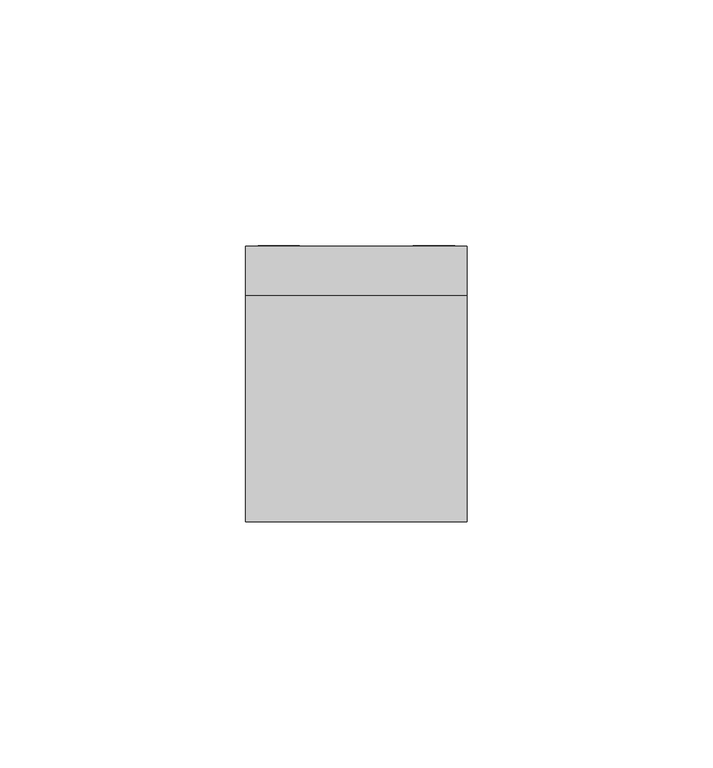
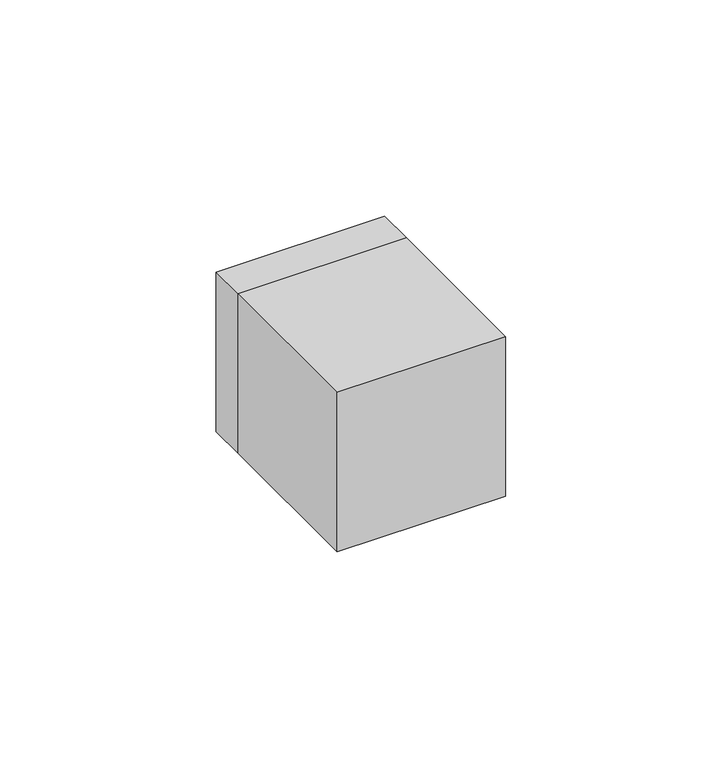
"""IFC4 building model written with IfcOpenShell, lengths in millimetres: proxy geometry."""

from ifc_helpers import new_model, si_unit, point, frame, origin, origin_2d, place, context, project, spatial, polyline, circle_curve, trimmed, segment, composite_curve, outline, extrude, faceted_brep, source, transform, mapped, element, save
from ifc_brep_helpers import plane_surface, revolved_surface, advanced_brep


def electrical_fixtures_451fbc79(model_context):
    return source(origin(), model_context, "Body", "SolidModel", [
        extrude(outline(polyline([(22.5, -46.0), (-22.5, -46.0), (-22.5, 0.0), (22.5, 0.0), (22.5, -46.0)])), frame((0.0, 0.0, -22.5), z_axis=(0.0, 0.0, 1.0), x_axis=(1.0, 0.0, 0.0)), (0.0, 0.0, 1.0), 45.0),
        extrude(outline(polyline([(10.1, 0.0), (10.1, -1.5), (0.0, -1.5), (0.0, 0.0), (10.1, 0.0)])), frame((-20.018193, 0.0, 12.5935718), z_axis=(0.7071067811865476, 0.0, 0.7071067811865476), x_axis=(0.0, 1.0, 0.0)), (0.0, 0.0, 1.0), 10.5),
        extrude(outline(polyline([(10.1, 0.0), (10.1, -10.5), (0.0, -10.5), (0.0, 0.0), (10.1, 0.0)])), frame((11.5329116, 0.0, 18.9575328), z_axis=(0.7071067811865468, 0.0, 0.7071067811865482), x_axis=(0.0, 1.0, 0.0)), (0.0, 0.0, 1.0), 1.5),
        extrude(outline(composite_curve([segment(polyline([(-16.0, -1.5), (-17.9373911, -1.5)]), True, "CONTINUOUS"), segment(trimmed(circle_curve(origin_2d(), 18.0), [point((-17.9373911, -1.5))], [point((-17.9373911, 1.5))], False, "CARTESIAN"), True, "CONTINUOUS"), segment(polyline([(-17.9373911, 1.5), (-16.0, 1.5), (-16.0, -1.5)]), True, "CONTINUOUS")], self_intersect=False)), frame((0.0, 1.0, 0.0), z_axis=(0.0, 1.0, 0.0), x_axis=(0.0, 0.0, 1.0)), (0.0, 0.0, 1.0), 8.0),
        extrude(outline(composite_curve([segment(polyline([(16.0, -1.5), (16.0, 1.5), (17.9373911, 1.5)]), True, "CONTINUOUS"), segment(trimmed(circle_curve(origin_2d(), 18.0), [point((17.9373911, 1.5))], [point((17.9373911, -1.5))], False, "CARTESIAN"), True, "CONTINUOUS"), segment(polyline([(17.9373911, -1.5), (16.0, -1.5)]), True, "CONTINUOUS")], self_intersect=False)), frame((0.0, 1.0, 0.0), z_axis=(0.0, 1.0, 0.0), x_axis=(0.0, 0.0, 1.0)), (0.0, 0.0, 1.0), 8.0),
        extrude(outline(composite_curve([segment(polyline([(8.2462113, 16.0), (2.0, 16.0), (2.0, 17.8885438)]), True, "CONTINUOUS"), segment(trimmed(circle_curve(origin_2d(), 18.0), [point((2.0, 17.8885438))], [point((8.2462113, 16.0))], False, "CARTESIAN"), True, "CONTINUOUS")], self_intersect=False)), frame((0.0, 1.0, 0.0), z_axis=(0.0, 1.0, 0.0), x_axis=(0.0, 0.0, 1.0)), (0.0, 0.0, 1.0), 8.0),
        extrude(outline(composite_curve([segment(trimmed(circle_curve(origin_2d(), 18.0), [point((-8.2462113, 16.0))], [point((-2.0, 17.8885438))], False, "CARTESIAN"), True, "CONTINUOUS"), segment(polyline([(-2.0, 17.8885438), (-2.0, 16.0), (-8.2462113, 16.0)]), True, "CONTINUOUS")], self_intersect=False)), frame((0.0, 1.0, 0.0), z_axis=(0.0, 1.0, 0.0), x_axis=(0.0, 0.0, 1.0)), (0.0, 0.0, 1.0), 8.0),
        extrude(outline(composite_curve([segment(polyline([(-8.2462113, -16.0), (-2.0, -16.0), (-2.0, -17.8885438)]), True, "CONTINUOUS"), segment(trimmed(circle_curve(origin_2d(), 18.0), [point((-2.0, -17.8885438))], [point((-8.2462113, -16.0))], False, "CARTESIAN"), True, "CONTINUOUS")], self_intersect=False)), frame((0.0, 1.0, 0.0), z_axis=(0.0, 1.0, 0.0), x_axis=(0.0, 0.0, 1.0)), (0.0, 0.0, 1.0), 8.0),
        extrude(outline(composite_curve([segment(trimmed(circle_curve(origin_2d(), 18.0), [point((8.2462113, -16.0))], [point((2.0, -17.8885438))], False, "CARTESIAN"), True, "CONTINUOUS"), segment(polyline([(2.0, -17.8885438), (2.0, -16.0), (8.2462113, -16.0)]), True, "CONTINUOUS")], self_intersect=False)), frame((0.0, 1.0, 0.0), z_axis=(0.0, 1.0, 0.0), x_axis=(0.0, 0.0, 1.0)), (0.0, 0.0, 1.0), 8.0),
        advanced_brep(
        [(22.5, 10.0, 22.5), (22.5, 10.0, -22.5), (-22.5, 10.0, -22.5), (-22.5, 10.0, 22.5), (-18.0, 10.0, 0.0), (18.0, 10.0, 0.0), (12.5935718, 10.0, 21.4324065), (8.9731851, 10.0, 17.8120198), (17.8120198, 10.0, 8.9731851), (21.4324065, 10.0, 12.5935718), (-21.4324065, 10.0, 12.5935718), (-17.8120198, 10.0, 8.9731851), (-8.9731851, 10.0, 17.8120198), (-12.5935718, 10.0, 21.4324065), (22.5, 0.0, 22.5), (-22.5, 0.0, 22.5), (-22.5, 0.0, -22.5), (22.5, 0.0, -22.5), (-7.0, 0.0, 0.0), (-12.0, 0.0, 0.0), (12.0, 0.0, 0.0), (7.0, 0.0, 0.0), (8.9731851, 0.0, 17.8120198), (12.5935718, 0.0, 21.4324065), (21.4324065, 0.0, 12.5935718), (17.8120198, 0.0, 8.9731851), (-17.8120198, 0.0, 8.9731851), (-21.4324065, 0.0, 12.5935718), (-12.5935718, 0.0, 21.4324065), (-8.9731851, 0.0, 17.8120198), (-7.0, 1.0, 0.0), (-12.0, 1.0, 0.0), (12.0, 1.0, 0.0), (7.0, 1.0, 0.0), (-18.0, 1.0, 0.0), (18.0, 1.0, 0.0)],
        [
            (0, 1),
            (1, 2),
            (2, 3),
            (3, 0),
            (4, 5, circle_curve(frame((0.0, 10.0, 0.0), z_axis=(0.0, -1.0, 0.0), x_axis=(1.0, 0.0, 0.0)), 18.0)),
            (5, 4, circle_curve(frame((0.0, 10.0, 0.0), z_axis=(0.0, -1.0, 0.0), x_axis=(1.0, 0.0, 0.0)), 18.0)),
            (6, 7),
            (7, 8),
            (8, 9),
            (9, 6),
            (10, 11),
            (11, 12),
            (12, 13),
            (13, 10),
            (14, 15),
            (15, 16),
            (16, 17),
            (17, 14),
            (18, 19, circle_curve(frame((-9.5, 0.0, 0.0), z_axis=(0.0, 1.0, 0.0), x_axis=(1.0, 0.0, 0.0)), 2.5)),
            (19, 18, circle_curve(frame((-9.5, 0.0, 0.0), z_axis=(0.0, 1.0, 0.0), x_axis=(1.0, 0.0, 0.0)), 2.5)),
            (20, 21, circle_curve(frame((9.5, 0.0, 0.0), z_axis=(0.0, 1.0, 0.0), x_axis=(1.0, 0.0, 0.0)), 2.5)),
            (21, 20, circle_curve(frame((9.5, 0.0, 0.0), z_axis=(0.0, 1.0, 0.0), x_axis=(1.0, 0.0, 0.0)), 2.5)),
            (22, 23),
            (23, 24),
            (24, 25),
            (25, 22),
            (26, 27),
            (27, 28),
            (28, 29),
            (29, 26),
            (3, 15),
            (14, 0),
            (2, 16),
            (1, 17),
            (18, 30),
            (30, 31, circle_curve(frame((-9.5, 1.0, 0.0), z_axis=(0.0, 1.0, 0.0), x_axis=(1.0, 0.0, 0.0)), 2.5)),
            (31, 19),
            (31, 30, circle_curve(frame((-9.5, 1.0, 0.0), z_axis=(0.0, 1.0, 0.0), x_axis=(1.0, 0.0, 0.0)), 2.5)),
            (20, 32),
            (32, 33, circle_curve(frame((9.5, 1.0, 0.0), z_axis=(0.0, 1.0, 0.0), x_axis=(1.0, 0.0, 0.0)), 2.5)),
            (33, 21),
            (33, 32, circle_curve(frame((9.5, 1.0, 0.0), z_axis=(0.0, 1.0, 0.0), x_axis=(1.0, 0.0, 0.0)), 2.5)),
            (34, 35, circle_curve(frame((0.0, 1.0, 0.0), z_axis=(0.0, 1.0, 0.0), x_axis=(1.0, 0.0, 0.0)), 18.0)),
            (35, 34, circle_curve(frame((0.0, 1.0, 0.0), z_axis=(0.0, 1.0, 0.0), x_axis=(1.0, 0.0, 0.0)), 18.0)),
            (35, 5),
            (4, 34),
            (22, 7),
            (6, 23),
            (25, 8),
            (24, 9),
            (26, 11),
            (10, 27),
            (29, 12),
            (28, 13),
        ],
        [
            plane_surface(frame((-39.0, 10.0, 22.5), z_axis=(0.0, 1.0, 0.0), x_axis=(1.0, 0.0, 0.0))),
            plane_surface(frame((-39.0, 0.0, 22.5), z_axis=(0.0, -1.0, 0.0), x_axis=(-1.0, 0.0, 0.0))),
            plane_surface(frame((22.5, 0.0, 22.5), z_axis=(0.0, 0.0, 1.0), x_axis=(0.0, 1.0, 0.0))),
            plane_surface(frame((-22.5, 0.0, 22.5), z_axis=(-1.0, 0.0, 0.0), x_axis=(0.0, 1.0, 0.0))),
            plane_surface(frame((-22.5, 0.0, -22.5), z_axis=(0.0, 0.0, -1.0), x_axis=(0.0, 1.0, 0.0))),
            plane_surface(frame((22.5, 0.0, -22.5), z_axis=(1.0, 0.0, 0.0), x_axis=(0.0, 1.0, 0.0))),
            revolved_surface(polyline([(-7.0, 0.0, 0.0), (-7.0, 1.0, 0.0)]), (-9.5, 1.0, 0.0), (0.0, -1.0, 0.0)),
            revolved_surface(polyline([(12.0, 0.0, 0.0), (12.0, 1.0, 0.0)]), (9.5, 0.0, 0.0), (0.0, -1.0, 0.0)),
            plane_surface(frame((18.0, 1.0, 0.0), z_axis=(0.0, 1.0, 0.0), x_axis=(0.0, 0.0, 1.0))),
            revolved_surface(polyline([(18.0, 1.0, 0.0), (18.0, 10.0, 0.0)]), (0.0, 10.0, 0.0), (0.0, -1.0, 0.0)),
            plane_surface(frame((12.5935718, 0.0, 21.4324065), z_axis=(0.7071067811865481, 0.0, -0.7071067811865469), x_axis=(0.0, 1.0, 0.0))),
            plane_surface(frame((8.9731851, 0.0, 17.8120198), z_axis=(0.707106781186547, 0.0, 0.7071067811865481), x_axis=(0.0, 1.0, 0.0))),
            plane_surface(frame((17.8120198, 0.0, 8.9731851), z_axis=(-0.707106781186549, 0.0, 0.7071067811865461), x_axis=(0.0, 1.0, 0.0))),
            plane_surface(frame((21.4324065, 0.0, 12.5935718), z_axis=(-0.7071067811865469, 0.0, -0.7071067811865482), x_axis=(0.0, 1.0, 0.0))),
            plane_surface(frame((-21.4324065, 0.0, 12.5935718), z_axis=(0.7071067811865465, 0.0, 0.7071067811865486), x_axis=(0.0, 1.0, 0.0))),
            plane_surface(frame((-17.8120198, 0.0, 8.9731851), z_axis=(-0.7071067811865488, 0.0, 0.7071067811865464), x_axis=(0.0, 1.0, 0.0))),
            plane_surface(frame((-8.9731851, 0.0, 17.8120198), z_axis=(-0.707106781186546, 0.0, -0.7071067811865491), x_axis=(0.0, 1.0, 0.0))),
            plane_surface(frame((-12.5935718, 0.0, 21.4324065), z_axis=(0.707106781186549, 0.0, -0.7071067811865461), x_axis=(0.0, 1.0, 0.0))),
        ],
        [
            (0, [[1, 2, 3, 4], [5, 6], [7, 8, 9, 10], [11, 12, 13, 14]]),
            (1, [[15, 16, 17, 18], [19, 20], [21, 22], [23, 24, 25, 26], [27, 28, 29, 30]]),
            (2, [[-4, 31, -15, 32]]),
            (3, [[-3, 33, -16, -31]]),
            (4, [[-2, 34, -17, -33]]),
            (5, [[-1, -32, -18, -34]]),
            (6, [[35, 36, 37, -19]]),
            (6, [[-35, -20, -37, 38]]),
            (7, [[39, 40, 41, -21]]),
            (7, [[-39, -22, -41, 42]]),
            (8, [[43, 44], [-36, -38], [-40, -42]]),
            (9, [[-44, 45, -5, 46]]),
            (9, [[-43, -46, -6, -45]]),
            (10, [[47, -7, 48, -23]]),
            (11, [[-47, -26, 49, -8]]),
            (12, [[-49, -25, 50, -9]]),
            (13, [[-48, -10, -50, -24]]),
            (14, [[51, -11, 52, -27]]),
            (15, [[-51, -30, 53, -12]]),
            (16, [[-53, -29, 54, -13]]),
            (17, [[-52, -14, -54, -28]]),
        ],
    ),
        faceted_brep([(18.9575328, 10.0, 11.5329116), (11.5329116, 10.0, 18.9575328), (12.5935718, 10.0, 20.018193), (20.018193, 10.0, 12.5935718), (11.5329116, 0.0, 18.9575328), (18.9575328, 0.0, 11.5329116), (20.018193, 0.0, 12.5935718), (12.5935718, 0.0, 20.018193)], [[[0, 1, 2, 3]], [[4, 5, 6, 7]], [[4, 1, 0, 5]], [[1, 4, 7, 2]], [[2, 7, 6, 3]], [[5, 0, 3, 6]]]),
        faceted_brep([(-11.5329116, 10.0, 18.9575328), (-18.9575328, 10.0, 11.5329116), (-20.018193, 10.0, 12.5935718), (-12.5935718, 10.0, 20.018193), (-18.9575328, 0.0, 11.5329116), (-11.5329116, 0.0, 18.9575328), (-12.5935718, 0.0, 20.018193), (-20.018193, 0.0, 12.5935718)], [[[0, 1, 2, 3]], [[4, 5, 6, 7]], [[4, 1, 0, 5]], [[1, 4, 7, 2]], [[2, 7, 6, 3]], [[5, 0, 3, 6]]]),
    ])


if __name__ == "__main__":
    model = new_model("IFC4")
    model_context = context("Model", 3, world=origin())
    ifc_project = project(units=[si_unit("LENGTHUNIT", "METRE", prefix="MILLI")], contexts=[model_context])
    site = spatial("IfcSite", under=ifc_project)
    building = spatial("IfcBuilding", under=site)
    placement = place(None, origin())
    electrical_fixtures_shape = electrical_fixtures_451fbc79(model_context)
    element("IfcBuildingElementProxy", 1, Name="Electrical Fixtures", at=placement, inside=building, context=model_context, shape_type="MappedRepresentation", body=[
        mapped(electrical_fixtures_shape, transform((0.0, 0.0, 0.0), x_axis=(1.0, 0.0, 0.0), y_axis=(0.0, 1.0, 0.0), z_axis=(0.0, 0.0, 1.0))),
    ])
    save(model, "model.ifc")
